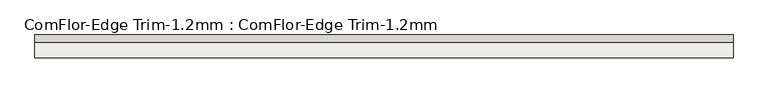
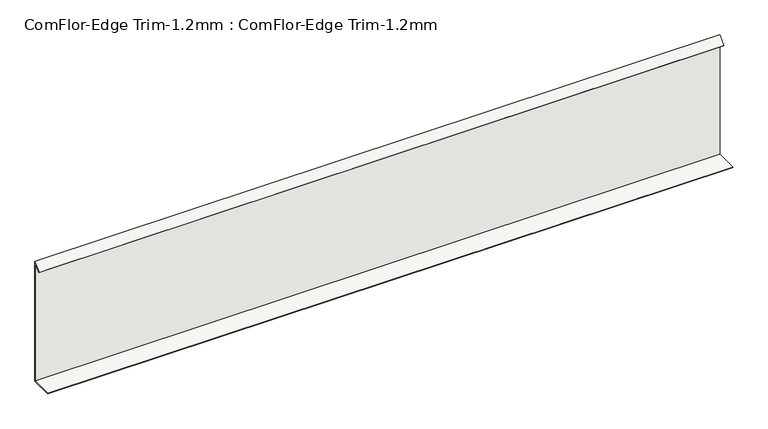
"""IFC4 building model written with IfcOpenShell, lengths in millimetres: slab geometry, ComFlor-Edge Trim-1.2mm : ComFlor-Edge Trim-1.2mm."""

from ifc_helpers import new_model, si_unit, frame, origin, place, context, project, spatial, polyline, outline, extrude, source, transform, mapped, element, save


def comflor_edge_trim_1_2mm_comflor_edge_trim_1_2mm_3975a4b2(model_context):
    return source(origin(), model_context, "Body", "SweptSolid", [
        extrude(outline(polyline([(10408.3956605, 0.0), (10408.3956605, 284.1421356), (10394.2535249, 270.0), (10393.4049968, 270.8485281), (10409.5956605, 287.0391919), (10409.5956605, -1.2), (10358.3956605, -1.2), (10358.3956605, 0.0), (10408.3956605, 0.0)])), frame((-13424.2788207, 0.0, 0.0), z_axis=(1.0, 0.0, 0.0), x_axis=(0.0, 1.0, 0.0)), (0.0, 0.0, 1.0), 1560.0),
    ])


if __name__ == "__main__":
    model = new_model("IFC4")
    model_context = context("Model", 3, world=origin())
    ifc_project = project(units=[si_unit("LENGTHUNIT", "METRE", prefix="MILLI")], contexts=[model_context])
    site = spatial("IfcSite", under=ifc_project)
    building = spatial("IfcBuilding", under=site)
    placement = place(None, origin())
    comflor_edge_trim_1_2mm_comflor_edge_trim_1_2mm_shape = comflor_edge_trim_1_2mm_comflor_edge_trim_1_2mm_3975a4b2(model_context)
    element("IfcSlab", 1, ObjectType="ComFlor-Edge Trim-1.2mm : ComFlor-Edge Trim-1.2mm", at=placement, inside=building, context=model_context, shape_type="MappedRepresentation", body=[
        mapped(comflor_edge_trim_1_2mm_comflor_edge_trim_1_2mm_shape, transform((0.0, 0.0, 0.0), x_axis=(1.0, 0.0, 0.0), y_axis=(0.0, 1.0, 0.0), z_axis=(0.0, 0.0, 1.0))),
    ])
    save(model, "model.ifc")
